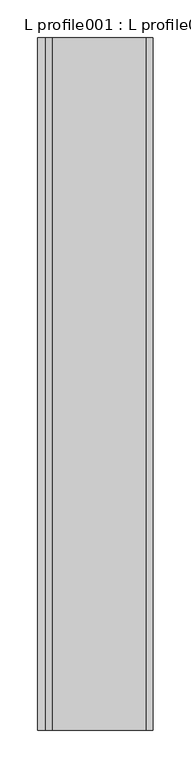
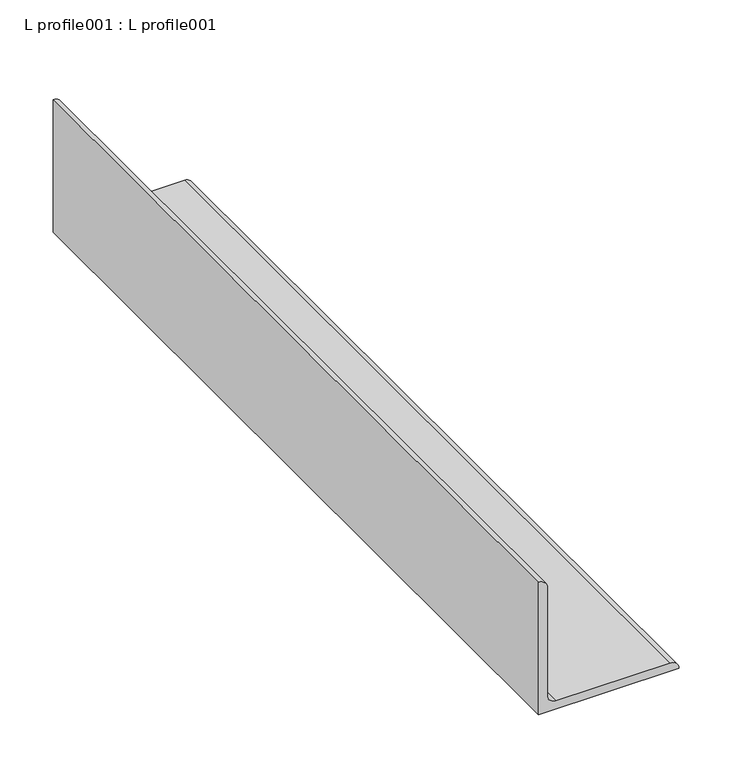
"""IFC4 building model written with IfcOpenShell, lengths in millimetres: proxy geometry, L profile001 : L profile001."""

from ifc_helpers import new_model, si_unit, point, frame, frame_2d, origin, place, context, project, spatial, polyline, circle_curve, trimmed, segment, composite_curve, outline, extrude, source, transform, mapped, element, save


def l_profile001_l_profile001_65849367(model_context):
    return source(origin(), model_context, "Body", "SweptSolid", [
        extrude(outline(composite_curve([segment(polyline([(2597.15, 37114.0575995), (2597.15, 37266.4575995)]), True, "CONTINUOUS"), segment(trimmed(circle_curve(frame_2d((2597.15, 37256.9325995)), 9.525), [point((2597.15, 37266.4575995))], [point((2606.675, 37256.9325995))], False, "CARTESIAN"), True, "CONTINUOUS"), segment(polyline([(2606.675, 37256.9325995), (2606.675, 37133.1075995)]), True, "CONTINUOUS"), segment(trimmed(circle_curve(frame_2d((2616.2, 37133.1075995)), 9.525), [point((2606.675, 37133.1075995))], [point((2616.2, 37123.5825995))], True, "CARTESIAN"), True, "CONTINUOUS"), segment(polyline([(2616.2, 37123.5825995), (2740.025, 37123.5825995)]), True, "CONTINUOUS"), segment(trimmed(circle_curve(frame_2d((2740.025, 37114.0575995)), 9.525), [point((2740.025, 37123.5825995))], [point((2749.55, 37114.0575995))], False, "CARTESIAN"), True, "CONTINUOUS"), segment(polyline([(2749.55, 37114.0575995), (2597.15, 37114.0575995)]), True, "CONTINUOUS")], self_intersect=False)), frame((0.0, -25196.3529946, 0.0), z_axis=(0.0, 1.0, 0.0), x_axis=(0.0, 0.0, 1.0)), (0.0, 0.0, 1.0), 914.4),
    ])


if __name__ == "__main__":
    model = new_model("IFC4")
    model_context = context("Model", 3, world=origin())
    ifc_project = project(units=[si_unit("LENGTHUNIT", "METRE", prefix="MILLI")], contexts=[model_context])
    site = spatial("IfcSite", under=ifc_project)
    building = spatial("IfcBuilding", under=site)
    placement = place(None, origin())
    l_profile001_l_profile001_shape = l_profile001_l_profile001_65849367(model_context)
    element("IfcBuildingElementProxy", 1, Name="L profile001 : L profile001", ObjectType="L profile001 : L profile001", at=placement, inside=building, context=model_context, shape_type="MappedRepresentation", body=[
        mapped(l_profile001_l_profile001_shape, transform((0.0, 0.0, 0.0), x_axis=(1.0, 0.0, 0.0), y_axis=(0.0, 1.0, 0.0), z_axis=(0.0, 0.0, 1.0))),
    ])
    save(model, "model.ifc")
